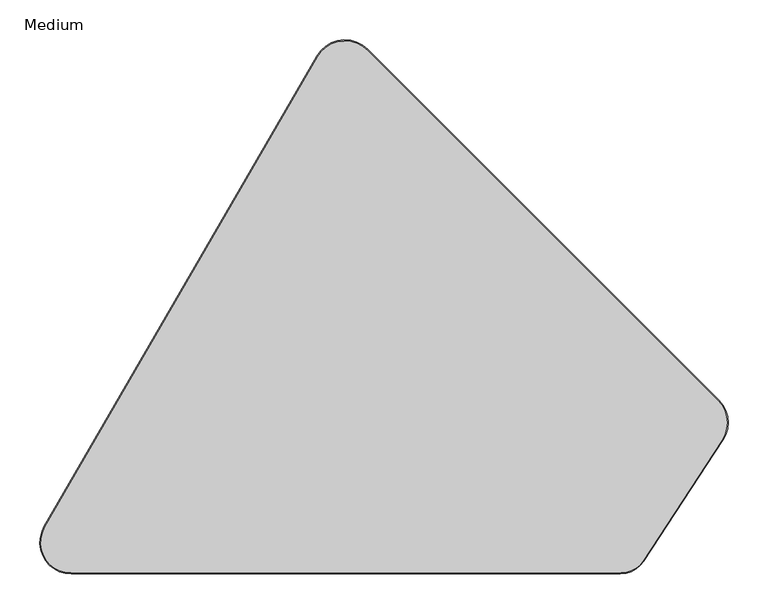
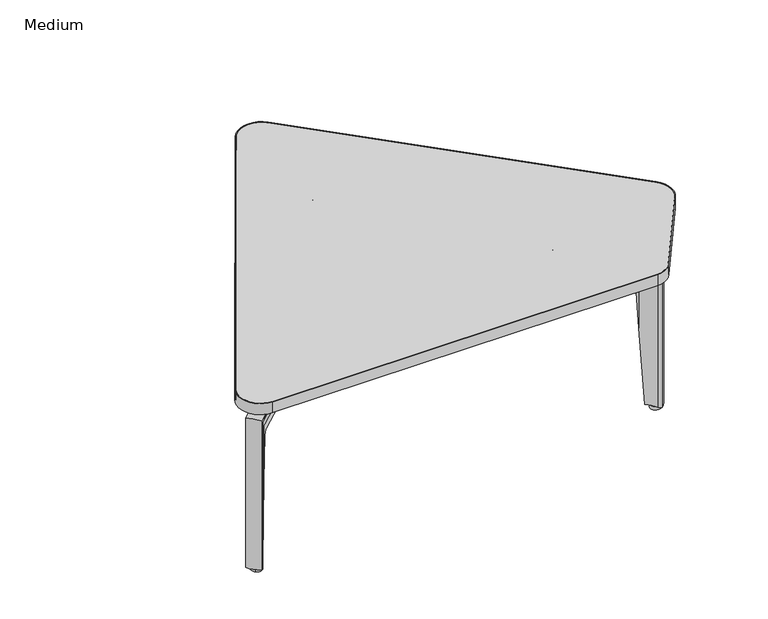
"""IFC4 building model written with IfcOpenShell, lengths in millimetres: furniture geometry, Medium."""

from ifc_helpers import new_model, si_unit, point, frame, frame_2d, origin, origin_with_axes, place, context, project, spatial, polyline, circle_curve, ellipse_curve, trimmed, segment, composite_curve, outline, extrude, source, transform, mapped, element, save
from ifc_brep_helpers import plane_surface, cylinder_surface, revolved_surface, advanced_brep


def medium_70e49eae(model_context):
    return source(origin(), model_context, "Body", "SolidModel", [
        extrude(outline(composite_curve([segment(polyline([(729.7780314, -0.030615), (40.089809, -0.030615)]), True, "CONTINUOUS"), segment(trimmed(circle_curve(frame_2d((40.089809, 39.1626789)), 39.1932939), [point((40.089809, -0.030615))], [point((6.1679516, 58.7948432))], False, "CARTESIAN"), True, "CONTINUOUS"), segment(polyline([(6.1679516, 58.7948432), (348.601385, 650.4758181)]), True, "CONTINUOUS"), segment(trimmed(circle_curve(frame_2d((383.8454905, 630.0784071)), 40.7210185), [point((348.601385, 650.4758181))], [point((412.6395988, 658.8725154))], False, "CARTESIAN"), True, "CONTINUOUS"), segment(polyline([(412.6395988, 658.8725154), (853.0005518, 218.5115623)]), True, "CONTINUOUS"), segment(trimmed(circle_curve(frame_2d((824.1469193, 189.6579297)), 40.8051985), [point((853.0005518, 218.5115623))], [point((858.2944359, 167.3193682))], False, "CARTESIAN"), True, "CONTINUOUS"), segment(polyline([(858.2944359, 167.3193682), (759.2408874, 15.9026042)]), True, "CONTINUOUS"), segment(trimmed(circle_curve(frame_2d((729.7780314, 35.1765627)), 35.2071777), [point((759.2408874, 15.9026042))], [point((729.7780314, -0.030615))], False, "CARTESIAN"), True, "CONTINUOUS")], self_intersect=False), holes=[composite_curve([segment(polyline([(40.2912973, 0.985385), (730.3198361, 0.985385)]), True, "CONTINUOUS"), segment(trimmed(circle_curve(frame_2d((730.3198361, 33.7363875)), 32.7510025), [point((730.3198361, 0.985385))], [point((757.7272608, 15.8070474))], True, "CARTESIAN"), True, "CONTINUOUS"), segment(polyline([(757.7272608, 15.8070474), (856.9688611, 167.5112739)]), True, "CONTINUOUS"), segment(trimmed(circle_curve(frame_2d((823.3141447, 189.5274562)), 40.2163177), [point((856.9688611, 167.5112739))], [point((851.7513757, 217.9646872))], True, "CARTESIAN"), True, "CONTINUOUS"), segment(polyline([(851.7513757, 217.9646872), (412.0596028, 657.6564601)]), True, "CONTINUOUS"), segment(trimmed(circle_curve(frame_2d((383.9396855, 629.5365429)), 39.7675684), [point((412.0596028, 657.6564601))], [point((349.5207926, 649.4563648))], True, "CARTESIAN"), True, "CONTINUOUS"), segment(polyline([(349.5207926, 649.4563648), (7.3156874, 58.1699116)]), True, "CONTINUOUS"), segment(trimmed(circle_curve(frame_2d((40.2912973, 39.085385)), 38.1), [point((7.3156874, 58.1699116))], [point((40.2912973, 0.985385))], True, "CARTESIAN"), True, "CONTINUOUS")], self_intersect=False)]), frame((0.0, 0.0, 311.1393175), z_axis=(0.0, 0.0, 1.0), x_axis=(1.0, 0.0, 0.0)), (0.0, 0.0, 1.0), 20.7880843),
        extrude(outline(composite_curve([segment(trimmed(circle_curve(frame_2d((383.9396855, 629.5365429)), 39.7675684), [point((349.5207926, 649.4563648))], [point((412.0596028, 657.6564601))], False, "CARTESIAN"), True, "CONTINUOUS"), segment(polyline([(412.0596028, 657.6564601), (851.7513757, 217.9646872)]), True, "CONTINUOUS"), segment(trimmed(circle_curve(frame_2d((823.3141447, 189.5274562)), 40.2163177), [point((851.7513757, 217.9646872))], [point((856.9688611, 167.5112739))], False, "CARTESIAN"), True, "CONTINUOUS"), segment(polyline([(856.9688611, 167.5112739), (757.7272608, 15.8070474)]), True, "CONTINUOUS"), segment(trimmed(circle_curve(frame_2d((730.3198361, 33.7363875)), 32.7510025), [point((757.7272608, 15.8070474))], [point((730.3198361, 0.985385))], False, "CARTESIAN"), True, "CONTINUOUS"), segment(polyline([(730.3198361, 0.985385), (40.2912973, 0.985385)]), True, "CONTINUOUS"), segment(trimmed(circle_curve(frame_2d((40.2912973, 39.085385)), 38.1), [point((40.2912973, 0.985385))], [point((7.3156874, 58.1699116))], False, "CARTESIAN"), True, "CONTINUOUS"), segment(polyline([(7.3156874, 58.1699116), (349.5207926, 649.4563648)]), True, "CONTINUOUS")], self_intersect=False)), frame((0.0, 0.0, 311.1393175), z_axis=(0.0, 0.0, 1.0), x_axis=(1.0, 0.0, 0.0)), (0.0, 0.0, 1.0), 20.7880843),
        advanced_brep(
        [(326.4616461, 293.1237557, 289.6785635), (326.4616461, 293.1237557, 283.3285635), (321.4491851, 298.507016, 253.1125717), (321.4491851, 298.507016, 240.9225725), (314.7525998, 305.6989845, 240.9225725), (314.7525998, 305.6989845, 253.4109455), (309.1527646, 311.7130703, 284.0790905), (309.1527646, 311.7130703, 289.6785635), (11.966197, 34.9967319, 289.6785635), (29.2750786, 16.4074172, 289.6785635), (16.0642429, 38.8125042, 284.0790905), (16.0642429, 38.8125042, 6.3562496), (11.966197, 34.9967319, 6.3562496), (44.1089521, 53.6972879, 253.4109455), (53.2487275, 62.2075151, 240.9225725), (53.2487275, 62.2075151, 240.4937447), (48.2768868, 57.578135, 232.451617), (44.1089521, 53.6972879, 141.8318178), (59.9453128, 55.0155466, 240.9225725), (51.023906, 46.7086469, 253.1125717), (51.023906, 46.7086469, 150.7844954), (54.7800744, 50.2060902, 232.451617), (59.9453128, 55.0155466, 240.5516322), (33.9224072, 20.7346376, 283.3285635), (29.2750786, 16.4074172, 6.3562496), (33.9224072, 20.7346376, 6.3562496), (37.6135845, 48.1951372, 6.3562496), (44.9396649, 39.8902572, 6.3562496)],
        [
            (0, 1),
            (1, 2, circle_curve(frame((373.0725979, 243.0647356, 250.6746121), z_axis=(-0.7318627824726224, -0.6814520288556128, 0.0), x_axis=(0.0, 0.0, -1.0)), 75.7942403)),
            (2, 3),
            (3, 4),
            (4, 5),
            (5, 6, circle_curve(frame((277.2091253, 346.0197562, 255.0837365), z_axis=(-0.7318627824726224, -0.6814520288556128, 0.0), x_axis=(0.0, 0.0, -1.0)), 55.1187386)),
            (6, 7),
            (7, 0, circle_curve(frame((317.8072054, 302.418413, 254.503341), z_axis=(0.7318627824726224, 0.6814520288556128, 0.0), x_axis=(0.0, 0.0, -1.0)), 37.3976775)),
            (7, 8),
            (8, 9, ellipse_curve(frame((46.364074, 49.6723013, 254.503341), z_axis=(0.5175051363844517, 0.48185935065712626, 0.7071067811865493), x_axis=(0.5175051363844411, 0.481859350657143, -0.7071067811865457)), 52.8883027, 37.3976775)),
            (9, 0),
            (6, 10),
            (10, 11),
            (11, 12),
            (12, 8),
            (5, 13),
            (13, 10, ellipse_curve(frame((5.3412242, 92.8781329, 255.0837365), z_axis=(-0.5175051363844517, -0.48185935065712626, -0.7071067811865493), x_axis=(-0.5175051363844411, -0.481859350657143, 0.7071067811865457)), 77.9496676, 55.1187386)),
            (4, 14),
            (14, 15),
            (15, 16, ellipse_curve(frame((54.7291585, 63.5859738, 231.8979645), z_axis=(0.6814520288556128, -0.7318627824726225, 0.0), x_axis=(0.7318627824726245, 0.6814520288556106, 0.0)), 8.8336114, 8.8304193)),
            (16, 17),
            (17, 13),
            (3, 18),
            (18, 14),
            (2, 19),
            (19, 20),
            (20, 21),
            (21, 22, ellipse_curve(frame((61.2323461, 56.213929, 231.8979645), z_axis=(-0.6814520288556128, 0.7318627824726224, 0.0), x_axis=(0.7318627824726224, 0.6814520288556128, 0.0)), 8.8336114, 8.8304193)),
            (22, 18),
            (1, 23),
            (23, 19, ellipse_curve(frame((104.4315707, -7.0722811, 250.6746121), z_axis=(-0.5175051363844517, -0.48185935065712626, -0.7071067811865493), x_axis=(-0.5175051363844411, -0.481859350657143, 0.7071067811865457)), 107.1892425, 75.7942403)),
            (9, 24),
            (24, 25),
            (25, 23),
            (11, 26, circle_curve(frame((5.3412242, 92.8781329, 6.3562496), z_axis=(0.0, 0.0, 1.0), x_axis=(0.7318627824726225, 0.6814520288556128, 0.0)), 55.1187386)),
            (26, 27),
            (27, 25, circle_curve(frame((104.4315707, -7.0722811, 6.3562496), z_axis=(0.0, 0.0, 1.0), x_axis=(0.7318627824726225, 0.6814520288556128, 0.0)), 75.7942403)),
            (24, 12, circle_curve(frame((46.364074, 49.6723013, 6.3562496), z_axis=(0.0, 0.0, -1.0), x_axis=(0.7318627824726225, 0.6814520288556128, 0.0)), 37.3976775)),
            (17, 26, ellipse_curve(frame((5.3412242, 92.8781329, 91.6398749), z_axis=(0.7484410259791207, 0.6602309836885644, -0.0626983158382421), x_axis=(-0.04701849955005581, -0.041476975649308884, -0.998032525116816)), 879.1103529, 55.1187386)),
            (22, 15, ellipse_curve(frame((104.5101262, 7.1540289, 231.8979645), z_axis=(-0.731862782472634, -0.6814520288556004, 0.0), x_axis=(-0.6814520288556004, 0.731862782472634, 0.0)), 328.4996839, 8.8304193)),
            (27, 20, ellipse_curve(frame((104.4315707, -7.0722811, 221.9929857), z_axis=(0.7484410259791207, 0.6602309836885644, -0.0626983158382421), x_axis=(-0.04701849955005581, -0.041476975649308884, -0.998032525116816)), 1208.8720287, 75.7942403)),
            (16, 21),
        ],
        [
            plane_surface(frame((318.1250388, 302.0770677, 241.3236963), z_axis=(0.7318627824726224, 0.6814520288556128, 0.0), x_axis=(0.6814520288556128, -0.7318627824726224, 0.0))),
            cylinder_surface(frame((317.8072054, 302.418413, 254.503341), z_axis=(0.7318627824726224, 0.6814520288556128, 0.0), x_axis=(0.0, 0.0, -1.0)), 37.3976775),
            plane_surface(frame((309.1527646, 311.7130703, 284.0790905), z_axis=(-0.681452028855613, 0.7318627824726224, 0.0), x_axis=(-0.7318627824726224, -0.681452028855613, 0.0))),
            revolved_surface(polyline([(-34.998129164274644, 55.31735668827287, 199.9649979), (277.20912532288605, 346.01975622130965, 199.9649979)]), (277.2091253, 346.0197562, 255.0837365), (-0.7318627824726224, -0.6814520288556128, 0.0)),
            plane_surface(frame((314.7525998, 305.6989845, 240.9225725), z_axis=(-0.6814520288556128, 0.7318627824726225, 0.0), x_axis=(-0.7318627824726225, -0.6814520288556128, 0.0))),
            plane_surface(frame((321.4491851, 298.507016, 240.9225725), z_axis=(0.0, 0.0, -1.0), x_axis=(-0.7318627824726224, -0.6814520288556128, 0.0))),
            plane_surface(frame((321.4491851, 298.507016, 253.1125717), z_axis=(0.6814520288556128, -0.7318627824726224, 0.0), x_axis=(-0.7318627824726224, -0.6814520288556128, 0.0))),
            revolved_surface(polyline([(48.96058712598614, -58.72241987225715, 174.88037179999998), (373.0725979, 243.0647356, 174.88037179999998)]), (373.0725979, 243.0647356, 250.6746121), (-0.7318627824726224, -0.6814520288556128, 0.0)),
            plane_surface(frame((326.4616461, 293.1237557, 289.6785635), z_axis=(0.6814520288556128, -0.7318627824726224, 0.0), x_axis=(-0.7318627824726224, -0.6814520288556128, 0.0))),
            plane_surface(frame((56.3275988, 58.3122517, 6.3562496), z_axis=(0.0, 0.0, -1.0), x_axis=(0.6814520288556128, -0.7318627824726224, 0.0))),
            cylinder_surface(frame((46.364074, 49.6723013, 241.3236963), z_axis=(0.0, 0.0, 1.0), x_axis=(0.7318627824726225, 0.6814520288556128, 0.0)), 37.3976775),
            revolved_surface(polyline([(45.68057759817714, 130.4389091469322, -785.7408504611221), (45.68057759817714, 130.4389091469322, 969.0206002611221)]), (5.3412242, 92.8781329, 241.3236963), (0.0, 0.0, -1.0)),
            plane_surface(frame((59.9453128, 55.0155466, 240.9225725), z_axis=(0.731862782472634, 0.6814520288556004, 0.0), x_axis=(0.0, 0.0, -1.0))),
            revolved_surface(polyline([(159.9025543013566, 44.57785772800486, -984.5006176465492), (159.9025543013566, 44.57785772800486, 1428.4865890465492)]), (104.4315707, -7.0722811, 241.3236963), (0.0, 0.0, -1.0)),
            plane_surface(frame((-19.1391119, 109.5750948, -24.7625535), z_axis=(0.7484410259791207, 0.6602309836885644, -0.0626983158382421), x_axis=(0.6615325323303327, -0.7499164677939919, 0.0))),
            revolved_surface(polyline([(-106.1024962312261, 259.2539408293421, 231.8979645), (328.366902261051, -233.2626638101625, 231.8979645)]), (216.5872581, -119.8971482, 231.8979645), (-0.6615325323303327, 0.749916467793992, 0.0)),
        ],
        [
            (0, [[1, 2, 3, 4, 5, 6, 7, 8]]),
            (1, [[-8, 9, 10, 11]]),
            (2, [[-7, 12, 13, 14, 15, -9]]),
            (3, [[-6, 16, 17, -12]]),
            (4, [[-5, 18, 19, 20, 21, 22, -16]]),
            (5, [[-4, 23, 24, -18]]),
            (6, [[-3, 25, 26, 27, 28, 29, -23]]),
            (7, [[-2, 30, 31, -25]]),
            (8, [[-1, -11, 32, 33, 34, -30]]),
            (9, [[-14, 35, 36, 37, -33, 38]]),
            (10, [[-10, -15, -38, -32]]),
            (11, [[-13, -17, -22, 39, -35]]),
            (12, [[-24, -29, 40, -19]]),
            (13, [[-31, -34, -37, 41, -26]]),
            (14, [[42, -27, -41, -36, -39, -21]]),
            (15, [[-42, -20, -40, -28]]),
        ],
    ),
        advanced_brep(
        [(376.1947083, 614.5615988, 240.7283838), (386.0208438, 614.7830164, 240.7283838), (386.0311108, 612.1915851, 240.7283838), (376.2042523, 612.152652, 240.7283838), (385.9859216, 623.5975123, 232.451617), (376.1597861, 623.3760947, 232.451617), (376.1547749, 624.640927, 212.3213146), (374.9692048, 637.5566166, 6.3562496), (387.5747976, 637.8406652, 6.3562496), (385.9828156, 624.3814887, 219.9743253), (394.1607145, 416.8345529, 289.6785635), (368.7609139, 416.7339212, 289.6785635), (368.7609139, 416.7339212, 284.0790905), (376.9783541, 416.766478, 253.4109455), (376.9783541, 416.766478, 240.9225725), (386.8052126, 416.8054111, 240.9225725), (386.8052126, 416.8054111, 253.1125717), (394.1607145, 416.8345529, 283.3285635), (393.1934476, 660.9763353, 289.6785635), (367.7936469, 660.8757036, 289.6785635), (367.7936469, 660.8757036, 6.3562496), (367.8158314, 655.2762746, 6.3562496), (367.8158314, 655.2762746, 284.0790905), (376.1547749, 624.640927, 253.4109455), (376.2042523, 612.152652, 240.9225725), (386.0311108, 612.1915851, 240.9225725), (385.9828156, 624.3814887, 253.1125717), (393.2186055, 654.6263851, 283.3285635), (393.2186055, 654.6263851, 6.3562496), (393.1934476, 660.9763353, 6.3562496)],
        [
            (0, 1),
            (1, 2),
            (2, 3),
            (3, 0),
            (4, 5),
            (5, 6),
            (6, 7, ellipse_curve(frame((321.0552309, 626.0954319, 169.4157736), z_axis=(-0.022483496505670175, 0.997779240902479, 0.06269831583824406), x_axis=(-0.0014124563374419336, 0.06268240403851008, -0.998032525116816)), 879.1103529, 55.1187386)),
            (7, 8),
            (8, 9, ellipse_curve(frame((461.7469009, 622.2436801, 281.1642072), z_axis=(-0.022483496505670175, 0.997779240902479, 0.06269831583824406), x_axis=(-0.0014124563374419336, 0.06268240403851008, -0.998032525116816)), 1208.8720287, 75.7942403)),
            (9, 4),
            (4, 1, ellipse_curve(frame((386.0208438, 614.7830164, 231.8979645), z_axis=(0.9999921517406792, 0.003961875445608407, 0.0), x_axis=(0.003961875445622303, -0.9999921517406791, 0.0)), 8.8319417, 8.8304193)),
            (0, 5, ellipse_curve(frame((376.1947083, 614.5615988, 231.8979645), z_axis=(-0.9999921517406792, -0.003961875445608653, 0.0), x_axis=(0.003961875445622355, -0.999992151740679, 0.0)), 8.8319417, 8.8304193)),
            (10, 11, circle_curve(frame((381.4608142, 416.7842371, 254.503341), z_axis=(0.0039618754456086655, -0.9999921517406792, 0.0), x_axis=(0.0, 0.0, -1.0)), 37.3976775)),
            (11, 12),
            (12, 13, circle_curve(frame((321.8854374, 416.548205, 255.0837365), z_axis=(-0.0039618754456086655, 0.9999921517406792, 0.0), x_axis=(0.0, 0.0, -1.0)), 55.1187386)),
            (13, 14),
            (14, 15),
            (15, 16),
            (16, 17, circle_curve(frame((462.5596391, 417.105543, 250.6746121), z_axis=(-0.0039618754456086655, 0.9999921517406792, 0.0), x_axis=(0.0, 0.0, -1.0)), 75.7942403)),
            (17, 10),
            (10, 18),
            (18, 19, ellipse_curve(frame((380.6329071, 625.751073, 254.503341), z_axis=(0.0028014689938161324, -0.7071012316291594, 0.7071067811865492), x_axis=(0.002801468993796591, -0.707101231629163, -0.7071067811865457)), 52.8883027, 37.3976775)),
            (19, 11),
            (19, 20),
            (20, 21),
            (21, 22),
            (22, 12),
            (22, 23, ellipse_curve(frame((321.0552309, 626.0954319, 255.0837365), z_axis=(-0.0028014689938161324, 0.7071012316291594, -0.7071067811865492), x_axis=(-0.002801468993796591, 0.707101231629163, 0.7071067811865457)), 77.9496676, 55.1187386)),
            (23, 13),
            (23, 6),
            (3, 24),
            (24, 14),
            (24, 25),
            (25, 15),
            (25, 2),
            (9, 26),
            (26, 16),
            (26, 27, ellipse_curve(frame((461.7469009, 622.2436801, 250.6746121), z_axis=(-0.0028014689938161324, 0.7071012316291594, -0.7071067811865492), x_axis=(-0.002801468993796591, 0.707101231629163, 0.7071067811865457)), 107.1892425, 75.7942403)),
            (27, 17),
            (27, 28),
            (28, 29),
            (29, 18),
            (20, 29, circle_curve(frame((380.6329071, 625.751073, 6.3562496), z_axis=(0.0, 0.0, -1.0), x_axis=(0.003961875445608666, -0.9999921517406792, 0.0)), 37.3976775)),
            (28, 8, circle_curve(frame((461.7469009, 622.2436801, 6.3562496), z_axis=(0.0, 0.0, 1.0), x_axis=(0.003961875445608666, -0.9999921517406792, 0.0)), 75.7942403)),
            (7, 21, circle_curve(frame((321.0552309, 626.0954319, 6.3562496), z_axis=(0.0, 0.0, 1.0), x_axis=(0.003961875445608666, -0.9999921517406792, 0.0)), 55.1187386)),
        ],
        [
            plane_surface(frame((308.4544501, 597.17858, 240.7283838), z_axis=(0.0, 0.0, -1.0), x_axis=(0.9997462164729479, 0.022527819424561776, 0.0))),
            plane_surface(frame((307.8987876, 621.8379329, 232.451617), z_axis=(0.022483496505670178, -0.9977792409024793, -0.06269831583824408), x_axis=(0.9997462164729479, 0.022527819424561776, 0.0))),
            revolved_surface(polyline([(376.22969935399004, 605.7297263695851, 231.8979645), (386.38371292976296, 605.9585322210107, 231.8979645)]), (589.1302715, 619.3597904, 231.8979645), (-0.9997462164729479, -0.022527819424561724, 0.0)),
            plane_surface(frame((381.9272166, 416.7860849, 241.3236963), z_axis=(0.0039618754456086655, -0.9999921517406792, 0.0), x_axis=(0.9999921517406792, 0.0039618754456086655, 0.0))),
            cylinder_surface(frame((381.4608142, 416.7842371, 254.503341), z_axis=(0.0039618754456086655, -0.9999921517406792, 0.0), x_axis=(0.0, 0.0, -1.0)), 37.3976775),
            plane_surface(frame((368.7609139, 416.7339212, 289.6785635), z_axis=(-0.9999921517406792, -0.003961875445608535, 0.0), x_axis=(-0.003961875445608535, 0.9999921517406792, 0.0))),
            revolved_surface(polyline([(320.8368572945149, 681.2137378649304, 199.9649979), (321.88543740022544, 416.54820494310496, 199.9649979)]), (321.8854374, 416.548205, 255.0837365), (-0.0039618754456086655, 0.9999921517406792, 0.0)),
            plane_surface(frame((376.9783541, 416.766478, 253.4109455), z_axis=(-0.9999921517406792, -0.003961875445608653, 0.0), x_axis=(-0.003961875445608653, 0.9999921517406792, 0.0))),
            plane_surface(frame((376.9783541, 416.766478, 240.9225725), z_axis=(0.0, 0.0, -1.0000000000000002), x_axis=(-0.0039618754456084105, 0.9999921517406792, 0.0))),
            plane_surface(frame((386.8052126, 416.8054111, 240.9225725), z_axis=(0.9999921517406792, 0.003961875445608407, 0.0), x_axis=(-0.003961875445608407, 0.9999921517406792, 0.0))),
            revolved_surface(polyline([(461.44661363375155, 698.0373254894366, 174.88037179999998), (462.5596391, 417.105543, 174.88037179999998)]), (462.5596391, 417.105543, 250.6746121), (-0.0039618754456086655, 0.9999921517406792, 0.0)),
            plane_surface(frame((394.1607145, 416.8345529, 283.3285635), z_axis=(0.9999921517406792, 0.003961875445608492, 0.0), x_axis=(-0.003961875445608492, 0.9999921517406792, 0.0))),
            plane_surface(frame((381.1515257, 612.5733796, 6.3562496), z_axis=(0.0, 0.0, -1.0000000000000002), x_axis=(0.9999921517406792, 0.003961875445608666, 0.0))),
            cylinder_surface(frame((380.6329071, 625.751073, 241.3236963), z_axis=(0.0, 0.0, 1.0000000000000002), x_axis=(0.003961875445608666, -0.9999921517406792, 0.0)), 37.3976775),
            revolved_surface(polyline([(321.2736044770523, 570.977125886154, -707.9649517611226), (321.2736044770523, 570.977125886154, 1046.7964989611226)]), (321.0552309, 626.0954319, 241.3236963), (0.0, 0.0, -1.0000000000000002)),
            plane_surface(frame((376.2042523, 612.152652, 240.9225725), z_axis=(0.003961875445625748, -0.9999921517406792, 0.0), x_axis=(0.0, 0.0, -1.0))),
            revolved_surface(polyline([(462.0471882395631, 546.4500346528529, -925.3293961465497), (462.0471882395631, 546.4500346528529, 1487.6578105465496)]), (461.7469009, 622.2436801, 241.3236963), (0.0, 0.0, -1.0000000000000002)),
        ],
        [
            (0, [[1, 2, 3, 4]]),
            (1, [[5, 6, 7, 8, 9, 10]]),
            (2, [[-5, 11, -1, 12]]),
            (3, [[13, 14, 15, 16, 17, 18, 19, 20]]),
            (4, [[-13, 21, 22, 23]]),
            (5, [[-14, -23, 24, 25, 26, 27]]),
            (6, [[-15, -27, 28, 29]]),
            (7, [[-16, -29, 30, -6, -12, -4, 31, 32]]),
            (8, [[-17, -32, 33, 34]]),
            (9, [[-18, -34, 35, -2, -11, -10, 36, 37]]),
            (10, [[-19, -37, 38, 39]]),
            (11, [[-20, -39, 40, 41, 42, -21]]),
            (12, [[-25, 43, -41, 44, -8, 45]]),
            (13, [[-22, -42, -43, -24]]),
            (14, [[-26, -45, -7, -30, -28]]),
            (15, [[-33, -31, -3, -35]]),
            (16, [[-38, -36, -9, -44, -40]]),
        ],
    ),
        advanced_brep(
        [(444.3677766, 303.0886918, 289.6785635), (457.8742895, 324.5999473, 289.6785635), (457.8742895, 324.5999473, 284.0790905), (453.504611, 317.640544, 253.4109455), (453.504611, 317.640544, 240.9225725), (448.2791137, 309.318114, 240.9225725), (448.2791137, 309.318114, 253.1125717), (444.3677766, 303.0886918, 283.3285635), (788.2672848, 87.1606571, 289.6785635), (801.7737976, 108.6719126, 289.6785635), (801.7737976, 108.6719126, 6.3562496), (797.0316049, 111.6494462, 6.3562496), (797.0316049, 111.6494462, 284.0790905), (766.68908, 120.9979049, 253.4109455), (766.68908, 120.9979049, 141.8318178), (761.8660131, 124.0262179, 232.451617), (756.1126791, 127.6386281, 240.4937447), (756.1126791, 127.6386281, 240.9225725), (750.8871818, 119.3161981, 240.9225725), (750.8871818, 119.3161981, 240.5516322), (756.8643124, 115.5632701, 232.451617), (761.21089, 112.8341358, 150.7844954), (761.21089, 112.8341358, 253.1125717), (782.8894709, 90.5372853, 283.3285635), (782.8894709, 90.5372853, 6.3562496), (788.2672848, 87.1606571, 6.3562496), (768.4682276, 107.2808055, 6.3562496), (774.1028277, 116.8146278, 6.3562496)],
        [
            (0, 1, circle_curve(frame((451.1210331, 313.8443196, 254.503341), z_axis=(-0.846899821235526, 0.5317524732347131, 0.0), x_axis=(0.0, 0.0, -1.0)), 37.3976775)),
            (1, 2),
            (2, 3, circle_curve(frame((482.8006357, 364.2990915, 255.0837365), z_axis=(0.846899821235526, -0.5317524732347131, 0.0), x_axis=(0.0, 0.0, -1.0)), 55.1187386)),
            (3, 4),
            (4, 5),
            (5, 6),
            (6, 7, circle_curve(frame((407.9961939, 245.1612002, 250.6746121), z_axis=(0.846899821235526, -0.5317524732347131, 0.0), x_axis=(0.0, 0.0, -1.0)), 75.7942403)),
            (7, 0),
            (0, 8),
            (8, 9, ellipse_curve(frame((765.2306516, 116.6207964, 254.503341), z_axis=(-0.5988486065813189, 0.37600577973697447, 0.7071067811865492), x_axis=(-0.5988486065813117, 0.376005779736993, -0.7071067811865457)), 52.8883027, 37.3976775)),
            (9, 1),
            (9, 10),
            (10, 11),
            (11, 12),
            (12, 2),
            (12, 13, ellipse_curve(frame((797.401791, 166.7669416, 255.0837365), z_axis=(0.5988486065813189, -0.37600577973697447, -0.7071067811865492), x_axis=(0.5988486065813117, -0.376005779736993, 0.7071067811865457)), 77.9496676, 55.1187386)),
            (13, 3),
            (13, 14),
            (14, 15),
            (15, 16, ellipse_curve(frame((754.3995483, 128.7142708, 231.8979645), z_axis=(-0.531752473234713, -0.846899821235526, 0.0), x_axis=(-0.8468998212355293, 0.5317524732347076, 0.0)), 8.8336114, 8.8304193)),
            (16, 17),
            (17, 4),
            (17, 18),
            (18, 5),
            (18, 19),
            (19, 20, ellipse_curve(frame((749.3978475, 120.251323, 231.8979645), z_axis=(0.5317524732347131, 0.8468998212355259, 0.0), x_axis=(-0.8468998212355257, 0.5317524732347135, 0.0)), 8.8336114, 8.8304193)),
            (20, 21),
            (21, 22),
            (22, 6),
            (22, 23, ellipse_curve(frame((718.8632626, 49.9736131, 250.6746121), z_axis=(0.5988486065813189, -0.37600577973697447, -0.7071067811865492), x_axis=(0.5988486065813117, -0.376005779736993, 0.7071067811865457)), 107.1892425, 75.7942403)),
            (23, 7),
            (23, 24),
            (24, 25),
            (25, 8),
            (10, 25, circle_curve(frame((765.2306516, 116.6207964, 6.3562496), z_axis=(0.0, 0.0, -1.0), x_axis=(-0.846899821235526, 0.5317524732347131, 0.0)), 37.3976775)),
            (24, 26, circle_curve(frame((718.8632626, 49.9736131, 6.3562496), z_axis=(0.0, 0.0, 1.0), x_axis=(-0.846899821235526, 0.5317524732347131, 0.0)), 75.7942403)),
            (26, 27),
            (27, 11, circle_curve(frame((797.401791, 166.7669416, 6.3562496), z_axis=(0.0, 0.0, 1.0), x_axis=(-0.846899821235526, 0.5317524732347131, 0.0)), 55.1187386)),
            (27, 14, ellipse_curve(frame((797.401791, 166.7669416, 91.6398749), z_axis=(-0.8591940788998237, 0.5077937139966697, -0.06269831583824242), x_axis=(0.05397621857956049, -0.03190057423940061, -0.998032525116816)), 879.1103529, 55.1187386)),
            (16, 19, ellipse_curve(frame((716.1122472, 63.9316208, 231.8979645), z_axis=(0.8468998212355351, -0.5317524732346985, 0.0), x_axis=(0.5317524732346984, 0.846899821235535, 0.0)), 328.4996839, 8.8304193)),
            (21, 26, ellipse_curve(frame((718.8632626, 49.9736131, 221.9929857), z_axis=(-0.8591940788998237, 0.5077937139966697, -0.06269831583824242), x_axis=(0.05397621857956049, -0.03190057423940061, -0.998032525116816)), 1208.8720287, 75.7942403)),
            (20, 15),
        ],
        [
            plane_surface(frame((450.8730205, 313.4493203, 241.3236963), z_axis=(-0.846899821235526, 0.5317524732347131, 0.0), x_axis=(-0.5317524732347131, -0.846899821235526, 0.0))),
            cylinder_surface(frame((451.1210331, 313.8443196, 254.503341), z_axis=(-0.846899821235526, 0.5317524732347131, 0.0), x_axis=(0.0, 0.0, -1.0)), 37.3976775),
            plane_surface(frame((457.8742895, 324.5999473, 289.6785635), z_axis=(0.5317524732347131, 0.846899821235526, 0.0), x_axis=(0.846899821235526, -0.5317524732347131, 0.0))),
            revolved_surface(polyline([(844.0818408391933, 137.45741607525488, 199.9649979), (482.8006356570815, 364.2990915269477, 199.9649979)]), (482.8006357, 364.2990915, 255.0837365), (0.846899821235526, -0.5317524732347131, 0.0)),
            plane_surface(frame((453.504611, 317.640544, 253.4109455), z_axis=(0.531752473234713, 0.846899821235526, 0.0), x_axis=(0.846899821235526, -0.531752473234713, 0.0))),
            plane_surface(frame((453.504611, 317.640544, 240.9225725), z_axis=(0.0, 0.0, -1.0), x_axis=(0.846899821235526, -0.5317524732347131, 0.0))),
            plane_surface(frame((448.2791137, 309.318114, 240.9225725), z_axis=(-0.5317524732347131, -0.8468998212355259, 0.0), x_axis=(0.8468998212355259, -0.5317524732347131, 0.0))),
            revolved_surface(polyline([(783.0533911084058, 9.669838389232751, 174.88037179999998), (407.9961938662088, 245.16120022121686, 174.88037179999998)]), (407.9961939, 245.1612002, 250.6746121), (0.846899821235526, -0.5317524732347131, 0.0)),
            plane_surface(frame((444.3677766, 303.0886918, 283.3285635), z_axis=(-0.5317524732347131, -0.846899821235526, 0.0), x_axis=(0.846899821235526, -0.5317524732347131, 0.0))),
            plane_surface(frame((753.8208002, 123.2341058, 6.3562496), z_axis=(0.0, 0.0, -1.0), x_axis=(-0.531752473234713, -0.846899821235526, 0.0))),
            cylinder_surface(frame((765.2306516, 116.6207964, 241.3236963), z_axis=(0.0, 0.0, 1.0), x_axis=(-0.846899821235526, 0.5317524732347131, 0.0)), 37.3976775),
            revolved_surface(polyline([(750.7217411329323, 196.07646717212765, -785.7408504611221), (750.7217411329323, 196.07646717212765, 969.0206002611221)]), (797.401791, 166.7669416, 241.3236963), (0.0, 0.0, -1.0)),
            plane_surface(frame((756.1126791, 127.6386281, 240.9225725), z_axis=(-0.8468998212355351, 0.5317524732346985, 0.0), x_axis=(0.0, 0.0, -1.0))),
            revolved_surface(polyline([(654.6731340392475, 90.27738783647116, -984.5006176465492), (654.6731340392475, 90.27738783647116, 1428.4865890465492)]), (718.8632626, 49.9736131, 241.3236963), (0.0, 0.0, -1.0)),
            plane_surface(frame((804.3968041, 195.9889121, 232.451617), z_axis=(-0.8591940788998237, 0.5077937139966697, -0.06269831583824242), x_axis=(-0.5087947548976257, -0.8608878541300632, 0.0))),
            revolved_surface(polyline([(875.588765103576, 351.1236864309549, 231.8979645), (541.431727750175, -214.27470272404145, 231.8979645)]), (629.9120165, -81.9203772, 231.8979645), (0.5087947548976257, 0.8608878541300632, 0.0)),
        ],
        [
            (0, [[1, 2, 3, 4, 5, 6, 7, 8]]),
            (1, [[-1, 9, 10, 11]]),
            (2, [[-2, -11, 12, 13, 14, 15]]),
            (3, [[-3, -15, 16, 17]]),
            (4, [[-4, -17, 18, 19, 20, 21, 22]]),
            (5, [[-5, -22, 23, 24]]),
            (6, [[-6, -24, 25, 26, 27, 28, 29]]),
            (7, [[-7, -29, 30, 31]]),
            (8, [[-8, -31, 32, 33, 34, -9]]),
            (9, [[-13, 35, -33, 36, 37, 38]]),
            (10, [[-10, -34, -35, -12]]),
            (11, [[-14, -38, 39, -18, -16]]),
            (12, [[-23, -21, 40, -25]]),
            (13, [[-30, -28, 41, -36, -32]]),
            (14, [[42, -19, -39, -37, -41, -27]]),
            (15, [[-42, -26, -40, -20]]),
        ],
    ),
        extrude(outline(composite_curve([segment(trimmed(circle_curve(frame_2d((380.5738316, 357.4717364)), 31.75), [point((348.8238316, 357.4717364))], [point((412.3238316, 357.4717364))], False, "CARTESIAN"), True, "CONTINUOUS"), segment(trimmed(circle_curve(frame_2d((380.5738316, 357.4717364)), 31.75), [point((412.3238316, 357.4717364))], [point((348.8238316, 357.4717364))], False, "CARTESIAN"), True, "CONTINUOUS")], self_intersect=False)), frame((0.0, 0.0, 241.8524071), z_axis=(0.0, 0.0, 1.0), x_axis=(1.0, 0.0, 0.0)), (0.0, 0.0, 1.0), 43.9483711),
        advanced_brep(
        [(632.3350841, 248.4097236, 308.101579), (610.9372925, 165.5310401, 308.101579), (607.5243754, 152.312009, 308.101579), (635.7480011, 261.6287546, 308.101579), (630.0315882, 239.4877418, 301.5504764), (613.2407884, 174.4530218, 301.5504764), (621.6361883, 206.9703818, 301.5504764), (635.7480011, 261.6287546, 311.1393175), (607.5243754, 152.312009, 311.1393175), (621.6361883, 206.9703818, 311.1393175)],
        [
            (0, 1, circle_curve(frame((621.6361883, 206.9703818, 308.101579), z_axis=(0.0, 0.0, 1.0), x_axis=(-0.24998474862923276, -0.96824977431073, 0.0)), 42.7981941)),
            (1, 2),
            (2, 3, circle_curve(frame((621.6361883, 206.9703818, 308.101579), z_axis=(0.0, 0.0, -1.0), x_axis=(-0.24998474862923276, -0.96824977431073, 0.0)), 56.4506951)),
            (3, 0),
            (1, 0, circle_curve(frame((621.6361883, 206.9703818, 308.101579), z_axis=(0.0, 0.0, 1.0), x_axis=(-0.24998474862923276, -0.96824977431073, 0.0)), 42.7981941)),
            (3, 2, circle_curve(frame((621.6361883, 206.9703818, 308.101579), z_axis=(0.0, 0.0, -1.0), x_axis=(-0.24998474862923276, -0.96824977431073, 0.0)), 56.4506951)),
            (4, 5, circle_curve(frame((621.6361883, 206.9703818, 301.5504764), z_axis=(0.0, 0.0, 1.0), x_axis=(-0.24998474862923276, -0.96824977431073, 0.0)), 33.5836484)),
            (5, 1, circle_curve(frame((613.2407884, 174.4530218, 311.3064522), z_axis=(-0.96824977431073, 0.24998474862923276, 0.0), x_axis=(0.24998474862923276, 0.96824977431073, 0.0)), 9.7559758)),
            (0, 4, circle_curve(frame((630.0315882, 239.4877418, 311.3064522), z_axis=(-0.9682497743107308, 0.24998474862922962, 0.0), x_axis=(-0.24998474862922962, -0.9682497743107308, 0.0)), 9.7559758)),
            (5, 4, circle_curve(frame((621.6361883, 206.9703818, 301.5504764), z_axis=(0.0, 0.0, 1.0), x_axis=(-0.24998474862923276, -0.96824977431073, 0.0)), 33.5836484)),
            (6, 5),
            (4, 6),
            (7, 8, circle_curve(frame((621.6361883, 206.9703818, 311.1393175), z_axis=(0.0, 0.0, 1.0), x_axis=(-0.24998474862923276, -0.96824977431073, 0.0)), 56.4506951)),
            (8, 9),
            (9, 7),
            (8, 7, circle_curve(frame((621.6361883, 206.9703818, 311.1393175), z_axis=(0.0, 0.0, 1.0), x_axis=(-0.24998474862923276, -0.96824977431073, 0.0)), 56.4506951)),
            (2, 8),
            (7, 3),
        ],
        [
            plane_surface(frame((621.6361883, 206.9703818, 308.101579), z_axis=(0.0, 0.0, -1.0000000000000002), x_axis=(-0.24998474862923276, -0.96824977431073, 0.0))),
            revolved_surface(trimmed(ellipse_curve(frame((613.2407884, 174.4530218, 311.3064522), z_axis=(0.96824977431073, -0.24998474862923276, 0.0), x_axis=(0.24998474862923276, 0.96824977431073, 0.0)), 9.7559758, 9.7559758), [point((610.9372925, 165.5310401, 308.101579))], [point((613.2407884, 174.4530218, 301.5504764))], True, "CARTESIAN"), (621.6361883, 206.9703818, 317.4893175), (0.0, 0.0, -1.0)),
            plane_surface(frame((621.6361883, 206.9703818, 301.5504764), z_axis=(0.0, 0.0, -1.0000000000000002), x_axis=(-0.24998474862923276, -0.96824977431073, 0.0))),
            plane_surface(frame((621.6361883, 206.9703818, 311.1393175), z_axis=(0.0, 0.0, 1.0000000000000002), x_axis=(-0.24998474862923276, -0.96824977431073, 0.0))),
            cylinder_surface(frame((621.6361883, 206.9703818, 317.4893175), z_axis=(0.0, 0.0, -1.0), x_axis=(-0.24998474862923276, -0.96824977431073, 0.0)), 56.4506951),
        ],
        [
            (0, [[1, 2, 3, 4]]),
            (0, [[5, -4, 6, -2]]),
            (1, [[7, 8, -1, 9]]),
            (1, [[10, -9, -5, -8]]),
            (2, [[11, -7, 12]]),
            (2, [[-12, -10, -11]]),
            (3, [[13, 14, 15]]),
            (3, [[16, -15, -14]]),
            (4, [[-3, 17, -13, 18]]),
            (4, [[-6, -18, -16, -17]]),
        ],
    ),
        advanced_brep(
        [(426.870758, 487.0283368, 308.101579), (328.5955618, 542.6044984, 308.101579), (340.4794032, 535.884, 308.101579), (414.9869165, 493.7488352, 308.101579), (348.5002193, 531.348103, 301.5504764), (406.9661005, 498.2847322, 301.5504764), (377.7331599, 514.8164176, 301.5504764), (377.7331599, 514.8164176, 311.1393175), (328.5955618, 542.6044984, 311.1393175), (426.870758, 487.0283368, 311.1393175)],
        [
            (0, 1, circle_curve(frame((377.7331599, 514.8164176, 308.101579), z_axis=(0.0, 0.0, -1.0), x_axis=(-0.8704516037141515, 0.4922540051553282, 0.0)), 56.4506951)),
            (1, 2),
            (2, 3, circle_curve(frame((377.7331599, 514.8164176, 308.101579), z_axis=(0.0, 0.0, 1.0), x_axis=(-0.8704516037141515, 0.4922540051553282, 0.0)), 42.7981941)),
            (3, 0),
            (1, 0, circle_curve(frame((377.7331599, 514.8164176, 308.101579), z_axis=(0.0, 0.0, -1.0), x_axis=(-0.8704516037141515, 0.4922540051553282, 0.0)), 56.4506951)),
            (3, 2, circle_curve(frame((377.7331599, 514.8164176, 308.101579), z_axis=(0.0, 0.0, 1.0), x_axis=(-0.8704516037141515, 0.4922540051553282, 0.0)), 42.7981941)),
            (2, 4, circle_curve(frame((348.5002193, 531.348103, 311.3064522), z_axis=(-0.4922540051553282, -0.8704516037141515, 0.0), x_axis=(0.8704516037141515, -0.4922540051553282, 0.0)), 9.7559758)),
            (4, 5, circle_curve(frame((377.7331599, 514.8164176, 301.5504764), z_axis=(0.0, 0.0, 1.0), x_axis=(-0.8704516037141515, 0.4922540051553282, 0.0)), 33.5836484)),
            (5, 3, circle_curve(frame((406.9661005, 498.2847322, 311.3064522), z_axis=(-0.492254005155331, -0.87045160371415, 0.0), x_axis=(-0.87045160371415, 0.492254005155331, 0.0)), 9.7559758)),
            (5, 4, circle_curve(frame((377.7331599, 514.8164176, 301.5504764), z_axis=(0.0, 0.0, 1.0), x_axis=(-0.8704516037141515, 0.4922540051553282, 0.0)), 33.5836484)),
            (4, 6),
            (6, 5),
            (7, 8),
            (8, 9, circle_curve(frame((377.7331599, 514.8164176, 311.1393175), z_axis=(0.0, 0.0, 1.0), x_axis=(-0.8704516037141515, 0.4922540051553282, 0.0)), 56.4506951)),
            (9, 7),
            (9, 8, circle_curve(frame((377.7331599, 514.8164176, 311.1393175), z_axis=(0.0, 0.0, 1.0), x_axis=(-0.8704516037141515, 0.4922540051553282, 0.0)), 56.4506951)),
            (8, 1),
            (0, 9),
        ],
        [
            plane_surface(frame((377.7331599, 514.8164176, 308.101579), z_axis=(0.0, 0.0, -1.0000000000000002), x_axis=(-0.8704516037141515, 0.4922540051553282, 0.0))),
            revolved_surface(trimmed(ellipse_curve(frame((348.5002193, 531.348103, 311.3064522), z_axis=(0.4922540051553282, 0.8704516037141515, 0.0), x_axis=(0.8704516037141515, -0.4922540051553282, 0.0)), 9.7559758, 9.7559758), [point((348.5002193, 531.348103, 301.5504764))], [point((340.4794032, 535.884, 308.101579))], True, "CARTESIAN"), (377.7331599, 514.8164176, 317.4893175), (0.0, 0.0, 1.0)),
            plane_surface(frame((377.7331599, 514.8164176, 301.5504764), z_axis=(0.0, 0.0, -1.0000000000000002), x_axis=(-0.8704516037141515, 0.4922540051553282, 0.0))),
            plane_surface(frame((377.7331599, 514.8164176, 311.1393175), z_axis=(0.0, 0.0, 1.0000000000000002), x_axis=(-0.8704516037141515, 0.4922540051553282, 0.0))),
            cylinder_surface(frame((377.7331599, 514.8164176, 317.4893175), z_axis=(0.0, 0.0, 1.0), x_axis=(-0.8704516037141515, 0.4922540051553282, 0.0)), 56.4506951),
        ],
        [
            (0, [[1, 2, 3, 4]]),
            (0, [[5, -4, 6, -2]]),
            (1, [[-3, 7, 8, 9]]),
            (1, [[-6, -9, 10, -7]]),
            (2, [[-8, 11, 12]]),
            (2, [[-10, -12, -11]]),
            (3, [[13, 14, 15]]),
            (3, [[-15, 16, -13]]),
            (4, [[-14, 17, -1, 18]]),
            (4, [[-16, -18, -5, -17]]),
        ],
    ),
        advanced_brep(
        [(200.8684288, 198.0485943, 308.101579), (141.2148736, 136.6629688, 308.101579), (131.7002171, 126.8720496, 308.101579), (210.3830852, 207.8395134, 308.101579), (194.4466577, 191.4403639, 301.5504764), (147.6366446, 143.2711991, 301.5504764), (171.0416512, 167.3557815, 301.5504764), (210.3830852, 207.8395134, 311.1393175), (131.7002171, 126.8720496, 311.1393175), (171.0416512, 167.3557815, 311.1393175)],
        [
            (0, 1, circle_curve(frame((171.0416512, 167.3557815, 308.101579), z_axis=(0.0, 0.0, 1.0), x_axis=(-0.696916733352491, -0.7171520527568007, 0.0)), 42.7981941)),
            (1, 2),
            (2, 3, circle_curve(frame((171.0416512, 167.3557815, 308.101579), z_axis=(0.0, 0.0, -1.0), x_axis=(-0.696916733352491, -0.7171520527568007, 0.0)), 56.4506951)),
            (3, 0),
            (1, 0, circle_curve(frame((171.0416512, 167.3557815, 308.101579), z_axis=(0.0, 0.0, 1.0), x_axis=(-0.696916733352491, -0.7171520527568007, 0.0)), 42.7981941)),
            (3, 2, circle_curve(frame((171.0416512, 167.3557815, 308.101579), z_axis=(0.0, 0.0, -1.0), x_axis=(-0.696916733352491, -0.7171520527568007, 0.0)), 56.4506951)),
            (4, 5, circle_curve(frame((171.0416512, 167.3557815, 301.5504764), z_axis=(0.0, 0.0, 1.0), x_axis=(-0.696916733352491, -0.7171520527568007, 0.0)), 33.5836484)),
            (5, 1, circle_curve(frame((147.6366446, 143.2711991, 311.3064522), z_axis=(-0.7171520527568007, 0.696916733352491, 0.0), x_axis=(0.696916733352491, 0.7171520527568007, 0.0)), 9.7559758)),
            (0, 4, circle_curve(frame((194.4466577, 191.4403639, 311.3064522), z_axis=(-0.7171520527568029, 0.6969167333524887, 0.0), x_axis=(-0.6969167333524887, -0.7171520527568029, 0.0)), 9.7559758)),
            (5, 4, circle_curve(frame((171.0416512, 167.3557815, 301.5504764), z_axis=(0.0, 0.0, 1.0), x_axis=(-0.696916733352491, -0.7171520527568007, 0.0)), 33.5836484)),
            (6, 5),
            (4, 6),
            (7, 8, circle_curve(frame((171.0416512, 167.3557815, 311.1393175), z_axis=(0.0, 0.0, 1.0), x_axis=(-0.696916733352491, -0.7171520527568007, 0.0)), 56.4506951)),
            (8, 9),
            (9, 7),
            (8, 7, circle_curve(frame((171.0416512, 167.3557815, 311.1393175), z_axis=(0.0, 0.0, 1.0), x_axis=(-0.696916733352491, -0.7171520527568007, 0.0)), 56.4506951)),
            (2, 8),
            (7, 3),
        ],
        [
            plane_surface(frame((171.0416512, 167.3557815, 308.101579), z_axis=(0.0, 0.0, -1.0000000000000002), x_axis=(-0.696916733352491, -0.7171520527568007, 0.0))),
            revolved_surface(trimmed(ellipse_curve(frame((147.6366446, 143.2711991, 311.3064522), z_axis=(0.7171520527568007, -0.696916733352491, 0.0), x_axis=(0.696916733352491, 0.7171520527568007, 0.0)), 9.7559758, 9.7559758), [point((141.2148736, 136.6629688, 308.101579))], [point((147.6366446, 143.2711991, 301.5504764))], True, "CARTESIAN"), (171.0416512, 167.3557815, 317.4893175), (0.0, 0.0, -1.0)),
            plane_surface(frame((171.0416512, 167.3557815, 301.5504764), z_axis=(0.0, 0.0, -1.0000000000000002), x_axis=(-0.696916733352491, -0.7171520527568007, 0.0))),
            plane_surface(frame((171.0416512, 167.3557815, 311.1393175), z_axis=(0.0, 0.0, 1.0000000000000002), x_axis=(-0.696916733352491, -0.7171520527568007, 0.0))),
            cylinder_surface(frame((171.0416512, 167.3557815, 317.4893175), z_axis=(0.0, 0.0, -1.0), x_axis=(-0.696916733352491, -0.7171520527568007, 0.0)), 56.4506951),
        ],
        [
            (0, [[1, 2, 3, 4]]),
            (0, [[5, -4, 6, -2]]),
            (1, [[7, 8, -1, 9]]),
            (1, [[10, -9, -5, -8]]),
            (2, [[11, -7, 12]]),
            (2, [[-12, -10, -11]]),
            (3, [[13, 14, 15]]),
            (3, [[16, -15, -14]]),
            (4, [[-3, 17, -13, 18]]),
            (4, [[-6, -18, -16, -17]]),
        ],
    ),
        extrude(outline(composite_curve([segment(polyline([(0.0, 0.0), (0.0, -4.5840778), (-48.5911715, -4.5840778)]), True, "CONTINUOUS"), segment(trimmed(circle_curve(frame_2d((-48.5911715, 5.1042117)), 9.6882895), [point((-48.5911715, -4.5840778))], [point((-58.279461, 5.1042117))], False, "CARTESIAN"), True, "CONTINUOUS"), segment(polyline([(-58.279461, 5.1042117), (-58.279461, 40.0437194)]), True, "CONTINUOUS"), segment(trimmed(circle_curve(frame_2d((-45.579461, 40.0437194)), 12.7), [point((-58.279461, 40.0437194))], [point((-45.579461, 52.7437194))], False, "CARTESIAN"), True, "CONTINUOUS"), segment(polyline([(-45.579461, 52.7437194), (0.2920503, 52.7437194), (0.2920503, 45.4638848), (-44.9488052, 45.4638848)]), True, "CONTINUOUS"), segment(trimmed(circle_curve(frame_2d((-44.9488052, 37.4496877)), 8.0141971), [point((-44.9488052, 45.4638848))], [point((-52.9630024, 37.4496877))], True, "CARTESIAN"), True, "CONTINUOUS"), segment(polyline([(-52.9630024, 37.4496877), (-52.9630024, 8.3172129)]), True, "CONTINUOUS"), segment(trimmed(circle_curve(frame_2d((-44.6457894, 8.3172129)), 8.3172129), [point((-52.9630024, 8.3172129))], [point((-44.6457894, 0.0))], True, "CARTESIAN"), True, "CONTINUOUS"), segment(polyline([(-44.6457894, 0.0), (0.0, 0.0)]), True, "CONTINUOUS")], self_intersect=False)), frame((367.7475148, 363.8161797, 287.3162919), z_axis=(0.9999921517406791, 0.003961875445628149, 0.0), x_axis=(0.003961875445628149, -0.9999921517406791, 0.0)), (0.0, 0.0, 1.0), 27.223581),
        extrude(outline(composite_curve([segment(trimmed(circle_curve(frame_2d((381.1440988, 500.9596737)), 10.4174911), [point((391.5485662, 501.4804214))], [point((370.7419639, 501.5251038))], False, "CARTESIAN"), True, "CONTINUOUS"), segment(polyline([(370.7419639, 501.5251038), (372.0783783, 537.3778951)]), True, "CONTINUOUS"), segment(trimmed(circle_curve(frame_2d((380.9316478, 537.0478891)), 8.8594178), [point((372.0783783, 537.3778951))], [point((389.7077211, 538.2602507))], False, "CARTESIAN"), True, "CONTINUOUS"), segment(polyline([(389.7077211, 538.2602507), (391.5485662, 501.4804214)]), True, "CONTINUOUS")], self_intersect=False)), frame((0.0, 0.0, 287.3162919), z_axis=(0.0, 0.0, 1.0), x_axis=(1.0, 0.0, 0.0)), (0.0, 0.0, 1.0), 14.2341844),
        extrude(outline(composite_curve([segment(trimmed(circle_curve(frame_2d((380.9964359, 652.133603)), 9.8672738), [point((382.3488422, 661.9077571))], [point((379.6440297, 642.3594488))], False, "CARTESIAN"), True, "CONTINUOUS"), segment(trimmed(circle_curve(frame_2d((380.9964359, 652.133603)), 9.8672738), [point((379.6440297, 642.3594488))], [point((382.3488422, 661.9077571))], False, "CARTESIAN"), True, "CONTINUOUS")], self_intersect=False)), origin_with_axes(), (0.0, 0.0, 1.0), 6.6101858),
        extrude(outline(composite_curve([segment(polyline([(-12.2515637, 0.0), (44.6457895, 0.0)]), True, "CONTINUOUS"), segment(trimmed(circle_curve(frame_2d((44.6457895, 8.3172129)), 8.3172129), [point((44.6457895, 0.0))], [point((52.9630023, 8.3172129))], True, "CARTESIAN"), True, "CONTINUOUS"), segment(polyline([(52.9630023, 8.3172129), (52.9630023, 37.4496877)]), True, "CONTINUOUS"), segment(trimmed(circle_curve(frame_2d((44.9488052, 37.4496877)), 8.0141971), [point((52.9630023, 37.4496877))], [point((44.9488052, 45.4638848))], True, "CARTESIAN"), True, "CONTINUOUS"), segment(polyline([(44.9488052, 45.4638848), (-12.2699177, 45.4638848), (-12.2699177, 52.7437194), (45.5794611, 52.7437194)]), True, "CONTINUOUS"), segment(trimmed(circle_curve(frame_2d((45.5794611, 40.0437194)), 12.7), [point((45.5794611, 52.7437194))], [point((58.279461, 40.0437194))], False, "CARTESIAN"), True, "CONTINUOUS"), segment(polyline([(58.279461, 40.0437194), (58.279461, 5.1042117)]), True, "CONTINUOUS"), segment(trimmed(circle_curve(frame_2d((48.5911716, 5.1042117)), 9.6882895), [point((58.279461, 5.1042117))], [point((48.5911716, -4.5840778))], False, "CARTESIAN"), True, "CONTINUOUS"), segment(polyline([(48.5911716, -4.5840778), (-12.2515637, -4.5840778), (-12.2515637, 0.0)]), True, "CONTINUOUS")], self_intersect=False)), frame((398.2716884, 329.1807988, 287.3162919), z_axis=(0.5317524732346964, 0.8468998212355364, 0.0), x_axis=(0.8468998212355364, -0.5317524732346964, 0.0)), (0.0, 0.0, 1.0), 29.1065614),
        extrude(outline(composite_curve([segment(trimmed(circle_curve(frame_2d((784.985495, 102.7610485)), 9.8672738), [point((792.5188905, 96.3883689))], [point((777.4520996, 109.1337282))], False, "CARTESIAN"), True, "CONTINUOUS"), segment(trimmed(circle_curve(frame_2d((784.985495, 102.7610485)), 9.8672738), [point((777.4520996, 109.1337282))], [point((792.5188905, 96.3883689))], False, "CARTESIAN"), True, "CONTINUOUS")], self_intersect=False)), origin_with_axes(), (0.0, 0.0, 1.0), 6.6101858),
        extrude(outline(composite_curve([segment(trimmed(circle_curve(frame_2d((609.2241166, 214.178634)), 10.4174911), [point((604.0965691, 205.110427))], [point((615.2680042, 222.6636527))], False, "CARTESIAN"), True, "CONTINUOUS"), segment(polyline([(615.2680042, 222.6636527), (644.8408359, 202.3497098)]), True, "CONTINUOUS"), segment(trimmed(circle_curve(frame_2d((639.8246348, 195.0471753)), 8.8594178), [point((644.8408359, 202.3497098))], [point((636.1527129, 186.9845285))], False, "CARTESIAN"), True, "CONTINUOUS"), segment(polyline([(636.1527129, 186.9845285), (604.0965691, 205.110427)]), True, "CONTINUOUS")], self_intersect=False)), frame((0.0, 0.0, 287.3162919), z_axis=(0.0, 0.0, 1.0), x_axis=(1.0, 0.0, 0.0)), (0.0, 0.0, 1.0), 14.2341844),
        extrude(outline(composite_curve([segment(polyline([(-4.5840778, 0.0), (0.0, 0.0), (0.0, -55.2593305)]), True, "CONTINUOUS"), segment(trimmed(circle_curve(frame_2d((-9.6882895, -55.2593305)), 9.6882895), [point((0.0, -55.2593305))], [point((-9.6882895, -64.94762))], False, "CARTESIAN"), True, "CONTINUOUS"), segment(polyline([(-9.6882895, -64.94762), (-44.6277972, -64.94762)]), True, "CONTINUOUS"), segment(trimmed(circle_curve(frame_2d((-44.6277972, -52.24762)), 12.7), [point((-44.6277972, -64.94762))], [point((-57.3277972, -52.24762))], False, "CARTESIAN"), True, "CONTINUOUS"), segment(polyline([(-57.3277972, -52.24762), (-57.3277972, -0.1501729), (-50.0479626, -0.1501729), (-50.0479626, -51.6169643)]), True, "CONTINUOUS"), segment(trimmed(circle_curve(frame_2d((-42.0337655, -51.6169643)), 8.0141971), [point((-50.0479626, -51.6169643))], [point((-42.0337655, -59.6311613))], True, "CARTESIAN"), True, "CONTINUOUS"), segment(polyline([(-42.0337655, -59.6311613), (-12.9012907, -59.6311613)]), True, "CONTINUOUS"), segment(trimmed(circle_curve(frame_2d((-12.9012907, -51.3139484)), 8.3172129), [point((-12.9012907, -59.6311613))], [point((-4.5840778, -51.3139484))], True, "CARTESIAN"), True, "CONTINUOUS"), segment(polyline([(-4.5840778, -51.3139484), (-4.5840778, 0.0)]), True, "CONTINUOUS")], self_intersect=False)), frame((371.712342, 331.9587271, 291.9003697), z_axis=(-0.6814520288555984, 0.7318627824726359, 0.0), x_axis=(0.0, 0.0, 1.0)), (0.0, 0.0, 1.0), 29.1065614),
        extrude(outline(composite_curve([segment(trimmed(circle_curve(frame_2d((29.5662602, 32.3466007)), 9.8672738), [point((23.3648793, 24.6715784))], [point((35.7676411, 40.021623))], False, "CARTESIAN"), True, "CONTINUOUS"), segment(trimmed(circle_curve(frame_2d((29.5662602, 32.3466007)), 9.8672738), [point((35.7676411, 40.021623))], [point((23.3648793, 24.6715784))], False, "CARTESIAN"), True, "CONTINUOUS")], self_intersect=False)), origin_with_axes(), (0.0, 0.0, 1.0), 6.6101858),
        extrude(outline(composite_curve([segment(polyline([(187.9946854, 166.8703268), (159.9166323, 143.0424547)]), True, "CONTINUOUS"), segment(trimmed(circle_curve(frame_2d((154.7947618, 150.2712669)), 8.8594178), [point((159.9166323, 143.0424547))], [point((148.495434, 156.5008538))], False, "CARTESIAN"), True, "CONTINUOUS"), segment(polyline([(148.495434, 156.5008538), (173.7231851, 182.0110326)]), True, "CONTINUOUS"), segment(trimmed(circle_curve(frame_2d((181.2541343, 174.8131909)), 10.4174911), [point((173.7231851, 182.0110326))], [point((187.9946854, 166.8703268))], False, "CARTESIAN"), True, "CONTINUOUS")], self_intersect=False)), frame((0.0, 0.0, 287.3162919), z_axis=(0.0, 0.0, 1.0), x_axis=(1.0, 0.0, 0.0)), (0.0, 0.0, 1.0), 14.2341844),
    ])


if __name__ == "__main__":
    model = new_model("IFC4")
    model_context = context("Model", 3, world=origin())
    ifc_project = project(units=[si_unit("LENGTHUNIT", "METRE", prefix="MILLI")], contexts=[model_context])
    site = spatial("IfcSite", under=ifc_project)
    building = spatial("IfcBuilding", under=site)
    placement = place(None, origin())
    medium_shape = medium_70e49eae(model_context)
    element("IfcFurniture", 1, ObjectType="Medium", at=placement, inside=building, context=model_context, shape_type="MappedRepresentation", body=[
        mapped(medium_shape, transform((0.0, 0.0, 0.0), x_axis=(1.0, 0.0, 0.0), y_axis=(0.0, 1.0, 0.0), z_axis=(0.0, 0.0, 1.0))),
    ])
    save(model, "model.ifc")
